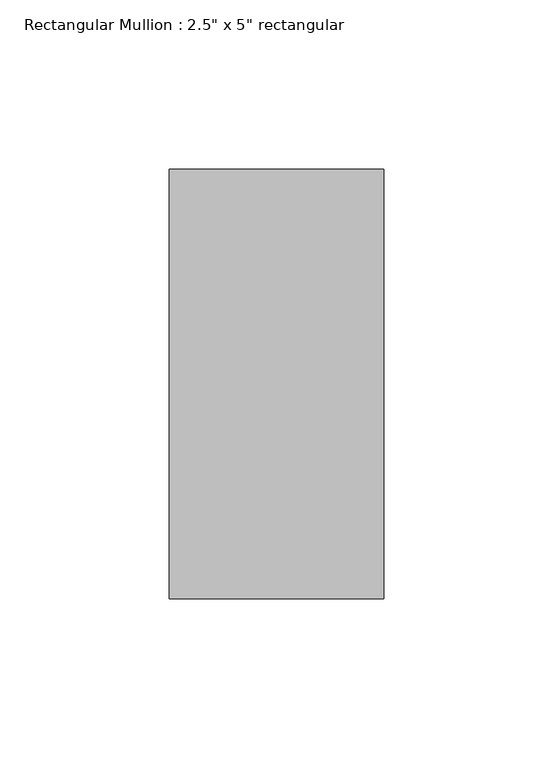
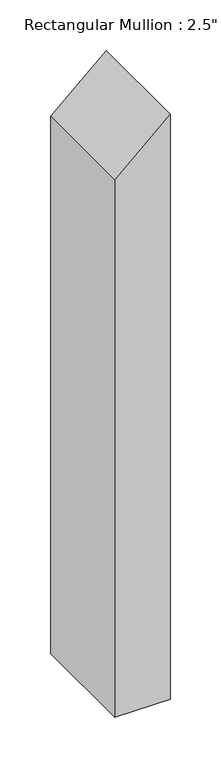
"""IFC4 building model written with IfcOpenShell, lengths in millimetres: member geometry."""

from ifc_helpers import new_model, si_unit, frame, origin, place, context, project, spatial, polyline, outline, extrude, source, transform, mapped, element, save


def member_5b6032fc(model_context):
    return source(origin(), model_context, "Body", "SweptSolid", [
        extrude(outline(polyline([(0.0, 0.0), (-57.1519647, -63.5), (-705.7896853, -63.5), (-705.7896853, 0.0), (0.0, 0.0)])), frame((0.0, -63.5, 0.0), z_axis=(0.0, 1.0, 0.0), x_axis=(0.0, 0.0, 1.0)), (0.0, 0.0, 1.0), 127.0),
    ])


if __name__ == "__main__":
    model = new_model("IFC4")
    model_context = context("Model", 3, world=origin())
    ifc_project = project(units=[si_unit("LENGTHUNIT", "METRE", prefix="MILLI")], contexts=[model_context])
    site = spatial("IfcSite", under=ifc_project)
    building = spatial("IfcBuilding", under=site)
    placement = place(None, origin())
    member_shape = member_5b6032fc(model_context)
    element("IfcMember", 1, ObjectType="Rectangular Mullion : 2.5\" x 5\" rectangular", at=placement, inside=building, context=model_context, shape_type="MappedRepresentation", body=[
        mapped(member_shape, transform((0.0, 0.0, 0.0), x_axis=(1.0, 0.0, 0.0), y_axis=(0.0, 1.0, 0.0), z_axis=(0.0, 0.0, 1.0))),
    ])
    save(model, "model.ifc")
